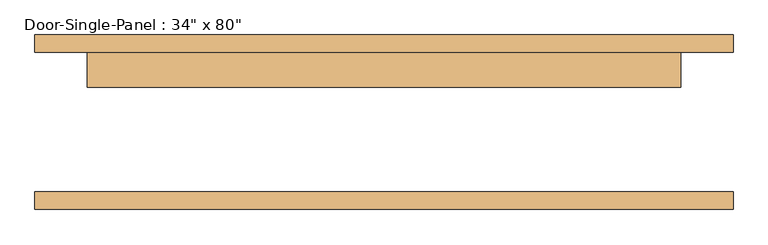
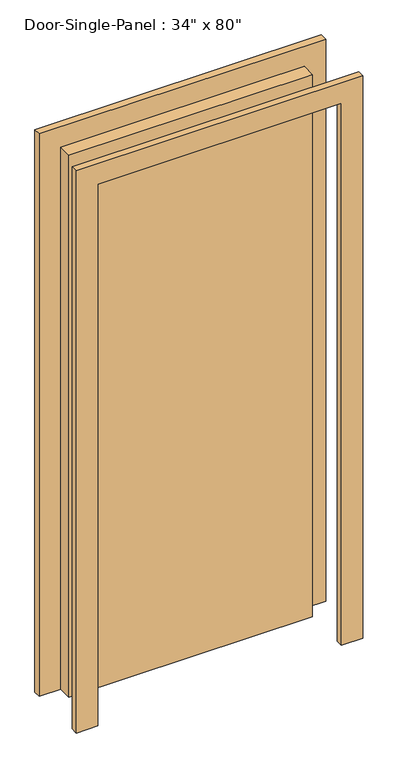
"""IFC4 building model written with IfcOpenShell, lengths in millimetres: door geometry."""

from ifc_helpers import new_model, si_unit, frame, origin, origin_with_axes, place, context, project, spatial, polyline, outline, extrude, source, transform, mapped, element, save


def door_10fd3a06(model_context):
    return source(origin(), model_context, "Body", "SweptSolid", [
        extrude(outline(polyline([(431.8, 50.8), (-431.8, 50.8), (-431.8, 101.6), (431.8, 101.6), (431.8, 50.8)])), origin_with_axes(), (0.0, 0.0, 1.0), 2032.0),
        extrude(outline(polyline([(2108.2, -508.0), (0.0, -508.0), (0.0, -431.8), (2032.0, -431.8), (2032.0, 431.8), (0.0, 431.8), (0.0, 508.0), (2108.2, 508.0), (2108.2, -508.0)])), frame((0.0, 101.6, 0.0), z_axis=(0.0, 1.0, 0.0), x_axis=(0.0, 0.0, 1.0)), (0.0, 0.0, 1.0), 25.4),
        extrude(outline(polyline([(2108.2, 508.0), (2108.2, -508.0), (0.0, -508.0), (0.0, -431.8), (2032.0, -431.8), (2032.0, 431.8), (0.0, 431.8), (0.0, 508.0), (2108.2, 508.0)])), frame((0.0, -127.0, 0.0), z_axis=(0.0, 1.0, 0.0), x_axis=(0.0, 0.0, 1.0)), (0.0, 0.0, 1.0), 25.4),
    ])


if __name__ == "__main__":
    model = new_model("IFC4")
    model_context = context("Model", 3, world=origin())
    ifc_project = project(units=[si_unit("LENGTHUNIT", "METRE", prefix="MILLI")], contexts=[model_context])
    site = spatial("IfcSite", under=ifc_project)
    building = spatial("IfcBuilding", under=site)
    placement = place(None, origin())
    door_shape = door_10fd3a06(model_context)
    element("IfcDoor", 1, ObjectType="Door-Single-Panel : 34\" x 80\"", at=placement, inside=building, context=model_context, shape_type="MappedRepresentation", body=[
        mapped(door_shape, transform((0.0, 0.0, 0.0), x_axis=(1.0, 0.0, 0.0), y_axis=(0.0, 1.0, 0.0), z_axis=(0.0, 0.0, 1.0))),
    ])
    save(model, "model.ifc")
